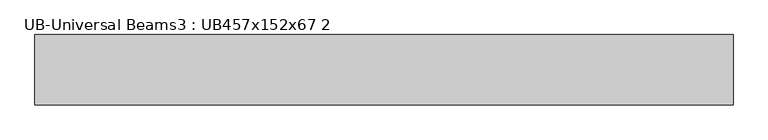
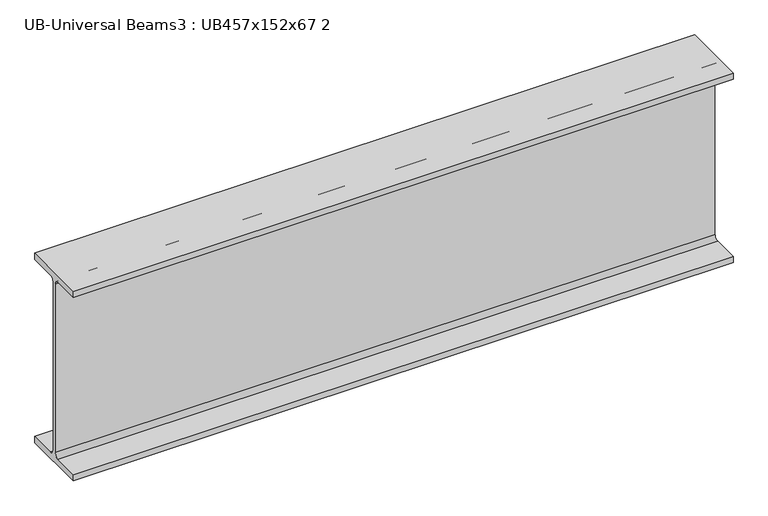
"""IFC4 building model written with IfcOpenShell, lengths in millimetres: beam geometry, UB-Universal Beams3 : UB457x152x67 2."""

from ifc_helpers import new_model, si_unit, point, frame, frame_2d, origin, place, context, project, spatial, polyline, circle_curve, trimmed, segment, composite_curve, outline, extrude, source, transform, mapped, element, save


def ub_universal_beams3_ub457x152x67_2_725de563(model_context):
    return source(origin(), model_context, "Body", "SweptSolid", [
        extrude(outline(composite_curve([segment(polyline([(75.95, -213.6), (75.95, -228.6), (-75.95, -228.6), (-75.95, -213.6), (-14.75, -213.6)]), True, "CONTINUOUS"), segment(trimmed(circle_curve(frame_2d((-14.75, -203.4)), 10.2), [point((-14.75, -213.6))], [point((-4.55, -203.4))], True, "CARTESIAN"), True, "CONTINUOUS"), segment(polyline([(-4.55, -203.4), (-4.55, 203.4)]), True, "CONTINUOUS"), segment(trimmed(circle_curve(frame_2d((-14.75, 203.4)), 10.2), [point((-4.55, 203.4))], [point((-14.75, 213.6))], True, "CARTESIAN"), True, "CONTINUOUS"), segment(polyline([(-14.75, 213.6), (-75.95, 213.6), (-75.95, 228.6), (75.95, 228.6), (75.95, 213.6), (14.75, 213.6)]), True, "CONTINUOUS"), segment(trimmed(circle_curve(frame_2d((14.75, 203.4)), 10.2), [point((14.75, 213.6))], [point((4.55, 203.4))], True, "CARTESIAN"), True, "CONTINUOUS"), segment(polyline([(4.55, 203.4), (4.55, -203.4)]), True, "CONTINUOUS"), segment(trimmed(circle_curve(frame_2d((14.75, -203.4)), 10.2), [point((4.55, -203.4))], [point((14.75, -213.6))], True, "CARTESIAN"), True, "CONTINUOUS"), segment(polyline([(14.75, -213.6), (75.95, -213.6)]), True, "CONTINUOUS")], self_intersect=False)), frame((-703.15, 0.0, 0.0), z_axis=(1.0, 0.0, 0.0), x_axis=(0.0, 1.0, 0.0)), (0.0, 0.0, 1.0), 1503.15),
    ])


if __name__ == "__main__":
    model = new_model("IFC4")
    model_context = context("Model", 3, world=origin())
    ifc_project = project(units=[si_unit("LENGTHUNIT", "METRE", prefix="MILLI")], contexts=[model_context])
    site = spatial("IfcSite", under=ifc_project)
    building = spatial("IfcBuilding", under=site)
    placement = place(None, origin())
    ub_universal_beams3_ub457x152x67_2_shape = ub_universal_beams3_ub457x152x67_2_725de563(model_context)
    element("IfcBeam", 1, ObjectType="UB-Universal Beams3 : UB457x152x67 2", at=placement, inside=building, context=model_context, shape_type="MappedRepresentation", body=[
        mapped(ub_universal_beams3_ub457x152x67_2_shape, transform((0.0, 0.0, 0.0), x_axis=(1.0, 0.0, 0.0), y_axis=(0.0, 1.0, 0.0), z_axis=(0.0, 0.0, 1.0))),
    ])
    save(model, "model.ifc")
